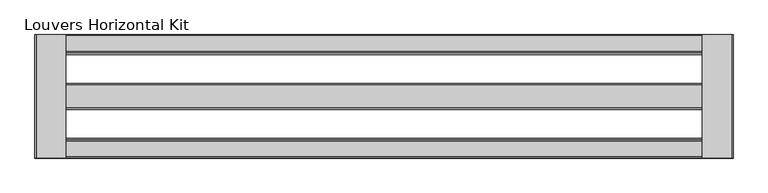
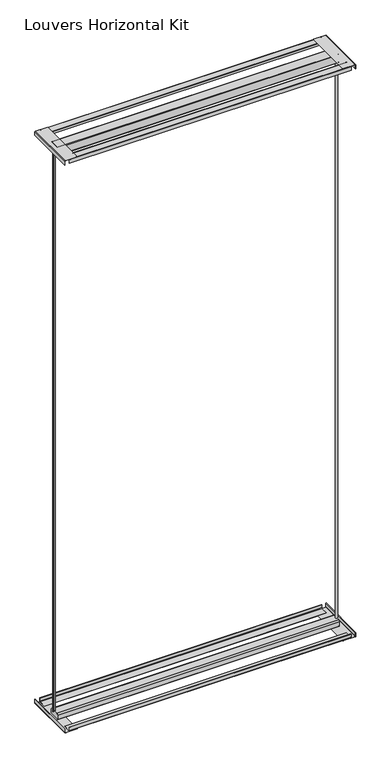
"""IFC4 building model written with IfcOpenShell, lengths in millimetres: proxy geometry, Louvers Horizontal Kit."""

from ifc_helpers import new_model, si_unit, point, frame, frame_2d, origin, place, context, project, spatial, polyline, circle_curve, trimmed, segment, composite_curve, outline, extrude, source, transform, mapped, element, save
from ifc_brep_helpers import plane_surface, extruded_surface, spline_curve, advanced_brep


def louvers_horizontal_kit_99b8d780(model_context):
    return source(origin(), model_context, "Body", "SolidModel", [
        advanced_brep(
        [(-854.9080688, 120.8643375, 3016.9358), (-861.2410766, 120.8643375, 3016.9358), (-854.9080688, 120.8643375, 31.115), (-861.2410766, 120.8643375, 31.115)],
        [
            (0, 1, spline_curve(3, [(-854.9080688, 120.8643375, 3016.9358), (-854.046431651, 120.8643375, 3016.9358), (-854.292938619, 122.678814497, 3016.9358), (-853.870795677, 125.557771507, 3016.9358), (-852.897296601, 126.219830558, 3016.9358), (-851.593051679, 125.472512128, 3016.9358), (-851.174695585, 124.437044374, 3016.9358), (-850.411853267, 122.876749386, 3016.9358), (-850.072639749, 122.28921433, 3016.9358), (-849.483039441, 121.966510283, 3016.9358), (-849.227697432, 122.166468989, 3016.9358), (-849.088906304, 123.158462727, 3016.9358), (-849.263673111, 124.030851771, 3016.9358), (-850.061391369, 125.815290115, 3016.9358), (-850.803866149, 126.65959334, 3016.9358), (-852.586815359, 127.456197295, 3016.9358), (-853.60808438, 127.456197285, 3016.9358), (-855.291989813, 126.93883953, 3016.9358), (-855.948862942, 126.413516951, 3016.9358), (-857.006712359, 124.849776593, 3016.9358), (-857.431832089, 123.956570953, 3016.9358), (-858.256038916, 122.979614008, 3016.9358), (-858.654345323, 122.834642391, 3016.9358), (-859.265022803, 123.317250084, 3016.9358), (-859.493448578, 123.690551025, 3016.9358), (-860.026755292, 124.050596217, 3016.9358), (-860.31503674, 123.762314832, 3016.9358), (-861.401641567, 122.082377418, 3016.9358), (-862.116158108, 120.8643375, 3016.9358), (-861.2410766, 120.8643375, 3016.9358)], [4, 2, 2, 2, 2, 2, 2, 2, 2, 2, 2, 2, 2, 2, 4], [0.0, 0.008875458975060613, 0.020481200193104176, 0.029854806107422374, 0.03706210961387012, 0.04368861427224201, 0.051259934554953854, 0.06112024851948062, 0.07042349959220107, 0.079869975820476, 0.08715114258611921, 0.09382589082280558, 0.09814811090978548, 0.10456508278359171, 0.1100107556129994])),
            (1, 0),
            (2, 3),
            (3, 2, spline_curve(3, [(-861.2410766, 120.8643375, 31.115), (-862.116158108, 120.8643375, 31.115), (-861.401641567, 122.082377418, 31.115), (-860.31503674, 123.762314832, 31.115), (-860.026755292, 124.050596217, 31.115), (-859.493448578, 123.690551025, 31.115), (-859.265022803, 123.317250084, 31.115), (-858.654345323, 122.834642391, 31.115), (-858.256038916, 122.979614008, 31.115), (-857.431832089, 123.956570953, 31.115), (-857.006712359, 124.849776593, 31.115), (-855.948862942, 126.413516951, 31.115), (-855.291989813, 126.93883953, 31.115), (-853.60808438, 127.456197285, 31.115), (-852.586815359, 127.456197295, 31.115), (-850.803866149, 126.65959334, 31.115), (-850.061391369, 125.815290115, 31.115), (-849.263673111, 124.030851771, 31.115), (-849.088906304, 123.158462727, 31.115), (-849.227697432, 122.166468989, 31.115), (-849.483039441, 121.966510283, 31.115), (-850.072639749, 122.28921433, 31.115), (-850.411853267, 122.876749386, 31.115), (-851.174695585, 124.437044374, 31.115), (-851.593051679, 125.472512128, 31.115), (-852.897296601, 126.219830558, 31.115), (-853.870795677, 125.557771507, 31.115), (-854.292938619, 122.678814497, 31.115), (-854.046431651, 120.8643375, 31.115), (-854.9080688, 120.8643375, 31.115)], [4, 2, 2, 2, 2, 2, 2, 2, 2, 2, 2, 2, 2, 2, 4], [0.0, 0.005445672829407694, 0.011862644703213923, 0.01618486479019382, 0.022859613026880193, 0.0301407797925234, 0.039587256020798336, 0.04889050709351878, 0.05875082105804555, 0.0663221413407574, 0.07294864599912929, 0.08015594950557703, 0.08952955541989523, 0.10113529663793878, 0.1100107556129994])),
            (0, 2),
            (3, 1),
        ],
        [
            plane_surface(frame((-140.5124567, 122.4609375, 3016.9358), z_axis=(0.0, 0.0, 1.0), x_axis=(0.0, -1.0, 0.0))),
            plane_surface(frame((-140.5124567, 122.4609375, 31.115), z_axis=(0.0, 0.0, -1.0), x_axis=(0.0, -1.0, 0.0))),
            extruded_surface(spline_curve(3, [(-854.9080688, 120.8643375, 31.115), (-854.046431651, 120.8643375, 31.115), (-854.292938619, 122.678814497, 31.115), (-853.870795677, 125.557771507, 31.115), (-852.897296601, 126.219830558, 31.115), (-851.593051679, 125.472512128, 31.115), (-851.174695585, 124.437044374, 31.115), (-850.411853267, 122.876749386, 31.115), (-850.072639749, 122.28921433, 31.115), (-849.483039441, 121.966510283, 31.115), (-849.227697432, 122.166468989, 31.115), (-849.088906304, 123.158462727, 31.115), (-849.263673111, 124.030851771, 31.115), (-850.061391369, 125.815290115, 31.115), (-850.803866149, 126.65959334, 31.115), (-852.586815359, 127.456197295, 31.115), (-853.60808438, 127.456197285, 31.115), (-855.291989813, 126.93883953, 31.115), (-855.948862942, 126.413516951, 31.115), (-857.006712359, 124.849776593, 31.115), (-857.431832089, 123.956570953, 31.115), (-858.256038916, 122.979614008, 31.115), (-858.654345323, 122.834642391, 31.115), (-859.265022803, 123.317250084, 31.115), (-859.493448578, 123.690551025, 31.115), (-860.026755292, 124.050596217, 31.115), (-860.31503674, 123.762314832, 31.115), (-861.401641567, 122.082377418, 31.115), (-862.116158108, 120.8643375, 31.115), (-861.2410766, 120.8643375, 31.115)], [4, 2, 2, 2, 2, 2, 2, 2, 2, 2, 2, 2, 2, 2, 4], [0.0, 0.008875458975060613, 0.020481200193104176, 0.029854806107422374, 0.03706210961387012, 0.04368861427224201, 0.051259934554953854, 0.06112024851948062, 0.07042349959220107, 0.079869975820476, 0.08715114258611921, 0.09382589082280558, 0.09814811090978548, 0.10456508278359171, 0.1100107556129994]), (0.0, 0.0, 2985.8208000000004), 2985.8208000000004),
            plane_surface(frame((-861.2410766, 120.8643375, 3016.9358), z_axis=(0.0, -1.0, 0.0), x_axis=(0.0, 0.0, -1.0))),
        ],
        [
            (0, [[1, 2]]),
            (1, [[3, 4]]),
            (2, [[-1, 5, -4, 6]]),
            (3, [[-2, -6, -3, -5]]),
        ],
    ),
        advanced_brep(
        [(573.8582152, 124.0575375, 3016.9358), (580.1912229, 124.0575375, 3016.9358), (573.8582152, 124.0575375, 31.115), (580.1912229, 124.0575375, 31.115)],
        [
            (0, 1, spline_curve(3, [(573.8582152, 124.0575375, 3016.9358), (572.996578051, 124.0575375, 3016.9358), (573.243085019, 122.243060503, 3016.9358), (572.820942077, 119.364103493, 3016.9358), (571.847443001, 118.702044442, 3016.9358), (570.543198079, 119.449362872, 3016.9358), (570.124841985, 120.484830626, 3016.9358), (569.361999667, 122.045125614, 3016.9358), (569.022786149, 122.63266067, 3016.9358), (568.433185841, 122.955364717, 3016.9358), (568.177843832, 122.755406011, 3016.9358), (568.039052704, 121.763412273, 3016.9358), (568.213819511, 120.891023229, 3016.9358), (569.011537769, 119.106584885, 3016.9358), (569.754012549, 118.26228166, 3016.9358), (571.536961759, 117.465677705, 3016.9358), (572.55823078, 117.465677715, 3016.9358), (574.242136213, 117.98303547, 3016.9358), (574.899009342, 118.508358049, 3016.9358), (575.956858759, 120.072098407, 3016.9358), (576.381978489, 120.965304047, 3016.9358), (577.206185316, 121.942260992, 3016.9358), (577.604491723, 122.087232609, 3016.9358), (578.215169203, 121.604624916, 3016.9358), (578.443594978, 121.231323975, 3016.9358), (578.976901692, 120.871278783, 3016.9358), (579.26518304, 121.159560168, 3016.9358), (580.351787867, 122.839497582, 3016.9358), (581.066304408, 124.0575375, 3016.9358), (580.1912229, 124.0575375, 3016.9358)], [4, 2, 2, 2, 2, 2, 2, 2, 2, 2, 2, 2, 2, 2, 4], [0.0, 0.008875458975060613, 0.020481200193104176, 0.029854806107422374, 0.03706210961387012, 0.04368861427224201, 0.051259934554953854, 0.06112024851948062, 0.07042349959220107, 0.079869975820476, 0.08715114258611921, 0.09382589082280558, 0.09814811090978548, 0.10456508278359171, 0.1100107556129994])),
            (1, 0),
            (2, 3),
            (3, 2, spline_curve(3, [(580.1912229, 124.0575375, 31.115), (581.066304408, 124.0575375, 31.115), (580.351787867, 122.839497582, 31.115), (579.26518304, 121.159560168, 31.115), (578.976901692, 120.871278783, 31.115), (578.443594978, 121.231323975, 31.115), (578.215169203, 121.604624916, 31.115), (577.604491723, 122.087232609, 31.115), (577.206185316, 121.942260992, 31.115), (576.381978489, 120.965304047, 31.115), (575.956858759, 120.072098407, 31.115), (574.899009342, 118.508358049, 31.115), (574.242136213, 117.98303547, 31.115), (572.55823078, 117.465677715, 31.115), (571.536961759, 117.465677705, 31.115), (569.754012549, 118.26228166, 31.115), (569.011537769, 119.106584885, 31.115), (568.213819511, 120.891023229, 31.115), (568.039052704, 121.763412273, 31.115), (568.177843832, 122.755406011, 31.115), (568.433185841, 122.955364717, 31.115), (569.022786149, 122.63266067, 31.115), (569.361999667, 122.045125614, 31.115), (570.124841985, 120.484830626, 31.115), (570.543198079, 119.449362872, 31.115), (571.847443001, 118.702044442, 31.115), (572.820942077, 119.364103493, 31.115), (573.243085019, 122.243060503, 31.115), (572.996578051, 124.0575375, 31.115), (573.8582152, 124.0575375, 31.115)], [4, 2, 2, 2, 2, 2, 2, 2, 2, 2, 2, 2, 2, 2, 4], [0.0, 0.005445672829407694, 0.011862644703213923, 0.01618486479019382, 0.022859613026880193, 0.0301407797925234, 0.039587256020798336, 0.04889050709351878, 0.05875082105804555, 0.0663221413407574, 0.07294864599912929, 0.08015594950557703, 0.08952955541989523, 0.10113529663793878, 0.1100107556129994])),
            (0, 2),
            (3, 1),
        ],
        [
            plane_surface(frame((-140.5124567, 122.4609375, 3016.9358), z_axis=(0.0, 0.0, 1.0), x_axis=(0.0, -1.0, 0.0))),
            plane_surface(frame((-140.5124567, 122.4609375, 31.115), z_axis=(0.0, 0.0, -1.0), x_axis=(0.0, -1.0, 0.0))),
            extruded_surface(spline_curve(3, [(573.8582152, 124.0575375, 31.115), (572.996578051, 124.0575375, 31.115), (573.243085019, 122.243060503, 31.115), (572.820942077, 119.364103493, 31.115), (571.847443001, 118.702044442, 31.115), (570.543198079, 119.449362872, 31.115), (570.124841985, 120.484830626, 31.115), (569.361999667, 122.045125614, 31.115), (569.022786149, 122.63266067, 31.115), (568.433185841, 122.955364717, 31.115), (568.177843832, 122.755406011, 31.115), (568.039052704, 121.763412273, 31.115), (568.213819511, 120.891023229, 31.115), (569.011537769, 119.106584885, 31.115), (569.754012549, 118.26228166, 31.115), (571.536961759, 117.465677705, 31.115), (572.55823078, 117.465677715, 31.115), (574.242136213, 117.98303547, 31.115), (574.899009342, 118.508358049, 31.115), (575.956858759, 120.072098407, 31.115), (576.381978489, 120.965304047, 31.115), (577.206185316, 121.942260992, 31.115), (577.604491723, 122.087232609, 31.115), (578.215169203, 121.604624916, 31.115), (578.443594978, 121.231323975, 31.115), (578.976901692, 120.871278783, 31.115), (579.26518304, 121.159560168, 31.115), (580.351787867, 122.839497582, 31.115), (581.066304408, 124.0575375, 31.115), (580.1912229, 124.0575375, 31.115)], [4, 2, 2, 2, 2, 2, 2, 2, 2, 2, 2, 2, 2, 2, 4], [0.0, 0.008875458975060613, 0.020481200193104176, 0.029854806107422374, 0.03706210961387012, 0.04368861427224201, 0.051259934554953854, 0.06112024851948062, 0.07042349959220107, 0.079869975820476, 0.08715114258611921, 0.09382589082280558, 0.09814811090978548, 0.10456508278359171, 0.1100107556129994]), (0.0, 0.0, 2985.8208000000004), 2985.8208000000004),
            plane_surface(frame((580.1912229, 124.0575375, 3016.9358), z_axis=(0.0, 1.0, 0.0), x_axis=(0.0, 0.0, -1.0))),
        ],
        [
            (0, [[1, 2]]),
            (1, [[3, 4]]),
            (2, [[-1, 5, -4, 6]]),
            (3, [[-2, -6, -3, -5]]),
        ],
    ),
        extrude(outline(composite_curve([segment(polyline([(3057.8565742, -877.1124567), (3038.475, -877.1124567), (3038.475, -875.5249567), (3058.2567188, -875.5249567)]), True, "CONTINUOUS"), segment(trimmed(circle_curve(frame_2d((3058.2567188, -874.6691755)), 0.8557812), [point((3058.2567188, -875.5249567))], [point((3059.1125, -874.6691755))], True, "CARTESIAN"), True, "CONTINUOUS"), segment(polyline([(3059.1125, -874.6691755), (3059.1125, -812.0249567), (3060.7, -812.0249567), (3060.7, -874.2690309)]), True, "CONTINUOUS"), segment(trimmed(circle_curve(frame_2d((3057.8565742, -874.2690309)), 2.8434258), [point((3060.7, -874.2690309))], [point((3057.8565742, -877.1124567))], False, "CARTESIAN"), True, "CONTINUOUS")], self_intersect=False)), frame((0.0, -7.7140625, 0.0), z_axis=(0.0, 1.0, 0.0), x_axis=(0.0, 0.0, 1.0)), (0.0, 0.0, 1.0), 260.35),
        extrude(outline(composite_curve([segment(trimmed(circle_curve(frame_2d((3058.0053761, 593.3929194)), 1.1071239), [point((3059.1125, 593.3929194))], [point((3058.0053761, 594.5000433))], True, "CARTESIAN"), True, "CONTINUOUS"), segment(polyline([(3058.0053761, 594.5000433), (3038.475, 594.5000433), (3038.475, 596.0875433), (3058.0291953, 596.0875433)]), True, "CONTINUOUS"), segment(trimmed(circle_curve(frame_2d((3058.0291953, 593.4167386)), 2.6708047), [point((3058.0291953, 596.0875433))], [point((3060.7, 593.4167386))], False, "CARTESIAN"), True, "CONTINUOUS"), segment(polyline([(3060.7, 593.4167386), (3060.7, 531.0000433), (3059.1125, 531.0000433), (3059.1125, 593.3929194)]), True, "CONTINUOUS")], self_intersect=False)), frame((0.0, -7.7140625, 0.0), z_axis=(0.0, 1.0, 0.0), x_axis=(0.0, 0.0, 1.0)), (0.0, 0.0, 1.0), 260.35),
        extrude(outline(composite_curve([segment(polyline([(22.225, -875.5249567), (22.225, -877.1124567), (2.6985254, -877.1124567)]), True, "CONTINUOUS"), segment(trimmed(circle_curve(frame_2d((2.6985254, -874.4139313)), 2.6985254), [point((2.6985254, -877.1124567))], [point((0.0, -874.4139313))], False, "CARTESIAN"), True, "CONTINUOUS"), segment(polyline([(0.0, -874.4139313), (0.0, -812.0249567), (1.5875, -812.0249567), (1.5875, -874.4071948)]), True, "CONTINUOUS"), segment(trimmed(circle_curve(frame_2d((2.7052619, -874.4071948)), 1.1177619), [point((1.5875, -874.4071948))], [point((2.7052619, -875.5249567))], True, "CARTESIAN"), True, "CONTINUOUS"), segment(polyline([(2.7052619, -875.5249567), (22.225, -875.5249567)]), True, "CONTINUOUS")], self_intersect=False)), frame((0.0, -7.7140625, 0.0), z_axis=(0.0, 1.0, 0.0), x_axis=(0.0, 0.0, 1.0)), (0.0, 0.0, 1.0), 260.35),
        extrude(outline(composite_curve([segment(polyline([(1.5875, 531.0000433), (0.0, 531.0000433), (0.0, 593.0913593)]), True, "CONTINUOUS"), segment(trimmed(circle_curve(frame_2d((2.996184, 593.0913593)), 2.996184), [point((0.0, 593.0913593))], [point((2.996184, 596.0875433))], False, "CARTESIAN"), True, "CONTINUOUS"), segment(polyline([(2.996184, 596.0875433), (22.225, 596.0875433), (22.225, 594.5000433), (2.6812433, 594.5000433)]), True, "CONTINUOUS"), segment(trimmed(circle_curve(frame_2d((2.6812433, 593.4062999)), 1.0937433), [point((2.6812433, 594.5000433))], [point((1.5875, 593.4062999))], True, "CARTESIAN"), True, "CONTINUOUS"), segment(polyline([(1.5875, 593.4062999), (1.5875, 531.0000433)]), True, "CONTINUOUS")], self_intersect=False)), frame((0.0, -7.7140625, 0.0), z_axis=(0.0, 1.0, 0.0), x_axis=(0.0, 0.0, 1.0)), (0.0, 0.0, 1.0), 260.35),
        extrude(outline(composite_curve([segment(polyline([(251.4167375, 3038.2837), (251.4167375, 3056.8957431)]), True, "CONTINUOUS"), segment(trimmed(circle_curve(frame_2d((250.3556806, 3056.8957431)), 1.0610569), [point((251.4167375, 3056.8957431))], [point((250.3556806, 3057.9568))], True, "CARTESIAN"), True, "CONTINUOUS"), segment(polyline([(250.3556806, 3057.9568), (217.0862316, 3057.9568)]), True, "CONTINUOUS"), segment(trimmed(circle_curve(frame_2d((217.0862316, 3057.0067059)), 0.9500941), [point((217.0862316, 3057.9568))], [point((216.1361375, 3057.0067059))], True, "CARTESIAN"), True, "CONTINUOUS"), segment(polyline([(216.1361375, 3057.0067059), (216.1361375, 3046.476), (214.9169375, 3046.476), (214.9169375, 3056.9663772)]), True, "CONTINUOUS"), segment(trimmed(circle_curve(frame_2d((217.1265603, 3056.9663772)), 2.2096228), [point((214.9169375, 3056.9663772))], [point((217.1265603, 3059.176))], False, "CARTESIAN"), True, "CONTINUOUS"), segment(polyline([(217.1265603, 3059.176), (250.3692739, 3059.176)]), True, "CONTINUOUS"), segment(trimmed(circle_curve(frame_2d((250.3692739, 3056.9093364)), 2.2666636), [point((250.3692739, 3059.176))], [point((252.6359375, 3056.9093364))], False, "CARTESIAN"), True, "CONTINUOUS"), segment(polyline([(252.6359375, 3056.9093364), (252.6359375, 3038.2837), (251.4167375, 3038.2837)]), True, "CONTINUOUS")], self_intersect=False)), frame((-853.3126567, 0.0, 0.0), z_axis=(1.0, 0.0, 0.0), x_axis=(0.0, 1.0, 0.0)), (0.0, 0.0, 1.0), 1425.6004),
        extrude(outline(composite_curve([segment(trimmed(circle_curve(frame_2d((147.1993917, 3058.0115342)), 2.6884658), [point((147.1993917, 3060.7))], [point((149.8878575, 3058.0115342))], False, "CARTESIAN"), True, "CONTINUOUS"), segment(polyline([(149.8878575, 3058.0115342), (149.8878575, 3021.8509875)]), True, "CONTINUOUS"), segment(trimmed(circle_curve(frame_2d((144.97267, 3021.8509875)), 4.9151875), [point((149.8878575, 3021.8509875))], [point((144.97267, 3016.9358))], False, "CARTESIAN"), True, "CONTINUOUS"), segment(polyline([(144.97267, 3016.9358), (97.7410837, 3016.9358)]), True, "CONTINUOUS"), segment(trimmed(circle_curve(frame_2d((97.7410837, 3019.6428662)), 2.7070662), [point((97.7410837, 3016.9358))], [point((95.0340175, 3019.6428662))], False, "CARTESIAN"), True, "CONTINUOUS"), segment(polyline([(95.0340175, 3019.6428662), (95.0340175, 3057.9567899)]), True, "CONTINUOUS"), segment(trimmed(circle_curve(frame_2d((97.7772276, 3057.9567899)), 2.7432101), [point((95.0340175, 3057.9567899))], [point((97.7772276, 3060.7))], False, "CARTESIAN"), True, "CONTINUOUS"), segment(polyline([(97.7772276, 3060.7), (147.1993917, 3060.7)]), True, "CONTINUOUS")], self_intersect=False)), frame((-853.3126567, 0.0, 0.0), z_axis=(1.0, 0.0, 0.0), x_axis=(0.0, 1.0, 0.0)), (0.0, 0.0, 1.0), 1425.6004),
        extrude(outline(composite_curve([segment(trimmed(circle_curve(frame_2d((27.7925673, 3056.9636298)), 2.2123702), [point((27.7925673, 3059.176))], [point((30.0049375, 3056.9636298))], False, "CARTESIAN"), True, "CONTINUOUS"), segment(polyline([(30.0049375, 3056.9636298), (30.0049375, 3046.476), (28.7857375, 3046.476), (28.7857375, 3056.9123345)]), True, "CONTINUOUS"), segment(trimmed(circle_curve(frame_2d((27.741272, 3056.9123345)), 1.0444655), [point((28.7857375, 3056.9123345))], [point((27.741272, 3057.9568))], True, "CARTESIAN"), True, "CONTINUOUS"), segment(polyline([(27.741272, 3057.9568), (-5.426417, 3057.9568)]), True, "CONTINUOUS"), segment(trimmed(circle_curve(frame_2d((-5.426417, 3056.8883545)), 1.0684455), [point((-5.426417, 3057.9568))], [point((-6.4948625, 3056.8883545))], True, "CARTESIAN"), True, "CONTINUOUS"), segment(polyline([(-6.4948625, 3056.8883545), (-6.4948625, 3038.2837), (-7.7140625, 3038.2837), (-7.7140625, 3057.0781083)]), True, "CONTINUOUS"), segment(trimmed(circle_curve(frame_2d((-5.6161708, 3057.0781083)), 2.0978917), [point((-7.7140625, 3057.0781083))], [point((-5.6161708, 3059.176))], False, "CARTESIAN"), True, "CONTINUOUS"), segment(polyline([(-5.6161708, 3059.176), (27.7925673, 3059.176)]), True, "CONTINUOUS")], self_intersect=False)), frame((-853.3126567, 0.0, 0.0), z_axis=(1.0, 0.0, 0.0), x_axis=(0.0, 1.0, 0.0)), (0.0, 0.0, 1.0), 1425.6004),
        extrude(outline(composite_curve([segment(polyline([(-3.7463885, 3.04292), (33.5609375, 3.04292), (33.5609375, 1.524), (-3.7920205, 1.524)]), True, "CONTINUOUS"), segment(trimmed(circle_curve(frame_2d((-3.7920205, 5.446042)), 3.922042), [point((-3.7920205, 1.524))], [point((-7.7140625, 5.446042))], False, "CARTESIAN"), True, "CONTINUOUS"), segment(polyline([(-7.7140625, 5.446042), (-7.7140625, 22.1615), (-6.1951425, 22.1615), (-6.1951425, 5.491674)]), True, "CONTINUOUS"), segment(trimmed(circle_curve(frame_2d((-3.7463885, 5.491674)), 2.448754), [point((-6.1951425, 5.491674))], [point((-3.7463885, 3.04292))], True, "CARTESIAN"), True, "CONTINUOUS")], self_intersect=False)), frame((-853.3126567, 0.0, 0.0), z_axis=(1.0, 0.0, 0.0), x_axis=(0.0, 1.0, 0.0)), (0.0, 0.0, 1.0), 1425.6004),
        extrude(outline(composite_curve([segment(trimmed(circle_curve(frame_2d((101.6888175, 24.765)), 6.35), [point((95.3388175, 24.765))], [point((101.6888175, 31.115))], False, "CARTESIAN"), True, "CONTINUOUS"), segment(polyline([(101.6888175, 31.115), (143.2330575, 31.115)]), True, "CONTINUOUS"), segment(trimmed(circle_curve(frame_2d((143.2330575, 24.765)), 6.35), [point((143.2330575, 31.115))], [point((149.5830575, 24.765))], False, "CARTESIAN"), True, "CONTINUOUS"), segment(polyline([(149.5830575, 24.765), (149.5830575, 1.7671503)]), True, "CONTINUOUS"), segment(trimmed(circle_curve(frame_2d((147.8159072, 1.7671503)), 1.7671503), [point((149.5830575, 1.7671503))], [point((147.8159072, 0.0))], False, "CARTESIAN"), True, "CONTINUOUS"), segment(polyline([(147.8159072, 0.0), (97.1991443, 0.0)]), True, "CONTINUOUS"), segment(trimmed(circle_curve(frame_2d((97.1991443, 1.8603268)), 1.8603268), [point((97.1991443, 0.0))], [point((95.3388175, 1.8603268))], False, "CARTESIAN"), True, "CONTINUOUS"), segment(polyline([(95.3388175, 1.8603268), (95.3388175, 24.765)]), True, "CONTINUOUS")], self_intersect=False)), frame((-853.3126567, 0.0, 0.0), z_axis=(1.0, 0.0, 0.0), x_axis=(0.0, 1.0, 0.0)), (0.0, 0.0, 1.0), 1425.6004),
        extrude(outline(composite_curve([segment(polyline([(211.3609375, 3.04292), (248.7131659, 3.04292)]), True, "CONTINUOUS"), segment(trimmed(circle_curve(frame_2d((248.7131659, 5.4467716)), 2.4038516), [point((248.7131659, 3.04292))], [point((251.1170175, 5.4467716))], True, "CARTESIAN"), True, "CONTINUOUS"), segment(polyline([(251.1170175, 5.4467716), (251.1170175, 22.1615), (252.6359375, 22.1615), (252.6359375, 5.4526681)]), True, "CONTINUOUS"), segment(trimmed(circle_curve(frame_2d((248.7072694, 5.4526681)), 3.9286681), [point((252.6359375, 5.4526681))], [point((248.7072694, 1.524))], False, "CARTESIAN"), True, "CONTINUOUS"), segment(polyline([(248.7072694, 1.524), (211.3609375, 1.524), (211.3609375, 3.04292)]), True, "CONTINUOUS")], self_intersect=False)), frame((-853.3126567, 0.0, 0.0), z_axis=(1.0, 0.0, 0.0), x_axis=(0.0, 1.0, 0.0)), (0.0, 0.0, 1.0), 1425.6004),
    ])


if __name__ == "__main__":
    model = new_model("IFC4")
    model_context = context("Model", 3, world=origin())
    ifc_project = project(units=[si_unit("LENGTHUNIT", "METRE", prefix="MILLI")], contexts=[model_context])
    site = spatial("IfcSite", under=ifc_project)
    building = spatial("IfcBuilding", under=site)
    placement = place(None, origin())
    louvers_horizontal_kit_shape = louvers_horizontal_kit_99b8d780(model_context)
    element("IfcBuildingElementProxy", 1, Name="Louvers Horizontal Kit", ObjectType="Louvers Horizontal Kit", at=placement, inside=building, context=model_context, shape_type="MappedRepresentation", body=[
        mapped(louvers_horizontal_kit_shape, transform((0.0, 0.0, 0.0), x_axis=(1.0, 0.0, 0.0), y_axis=(0.0, 1.0, 0.0), z_axis=(0.0, 0.0, 1.0))),
    ])
    save(model, "model.ifc")
